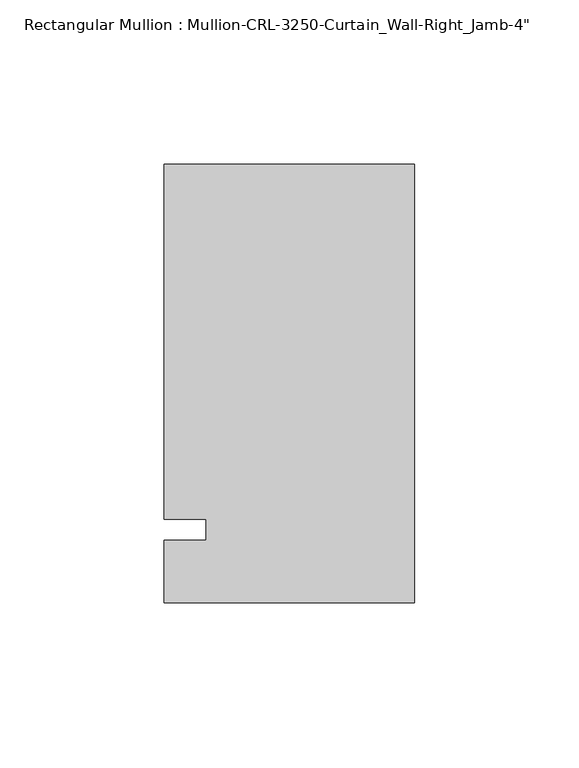
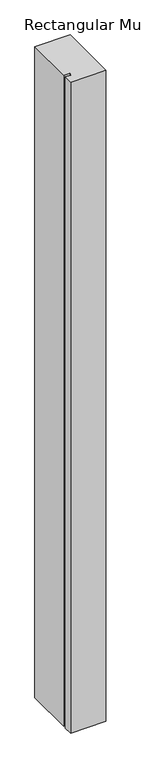
"""IFC4 building model written with IfcOpenShell, lengths in millimetres: member geometry."""

from ifc_helpers import new_model, si_unit, frame, origin, place, context, project, spatial, polyline, outline, extrude, source, transform, mapped, element, save


def member_08f7e950(model_context):
    return source(origin(), model_context, "Body", "SweptSolid", [
        extrude(outline(polyline([(0.0, -22.2254168), (-76.199997, -22.2254168), (-76.199997, -3.175), (-63.499997, -3.175), (-63.499997, 3.175), (-76.199997, 3.175), (-76.199997, 111.1245832), (0.0, 111.1245832), (0.0, -22.2254168)])), frame((0.0, 0.0, -1485.9), z_axis=(0.0, 0.0, 1.0), x_axis=(1.0, 0.0, 0.0)), (0.0, 0.0, 1.0), 1485.9),
    ])


if __name__ == "__main__":
    model = new_model("IFC4")
    model_context = context("Model", 3, world=origin())
    ifc_project = project(units=[si_unit("LENGTHUNIT", "METRE", prefix="MILLI")], contexts=[model_context])
    site = spatial("IfcSite", under=ifc_project)
    building = spatial("IfcBuilding", under=site)
    placement = place(None, origin())
    member_shape = member_08f7e950(model_context)
    element("IfcMember", 1, ObjectType="Rectangular Mullion : Mullion-CRL-3250-Curtain_Wall-Right_Jamb-4\"", at=placement, inside=building, context=model_context, shape_type="MappedRepresentation", body=[
        mapped(member_shape, transform((0.0, 0.0, 0.0), x_axis=(1.0, 0.0, 0.0), y_axis=(0.0, 1.0, 0.0), z_axis=(0.0, 0.0, 1.0))),
    ])
    save(model, "model.ifc")
